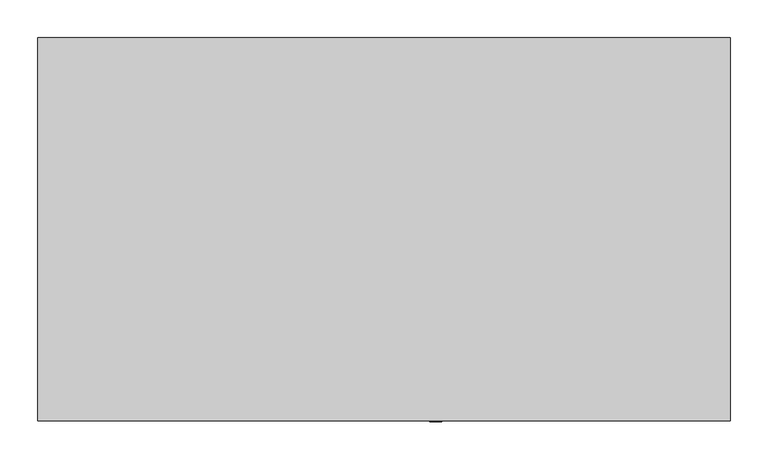
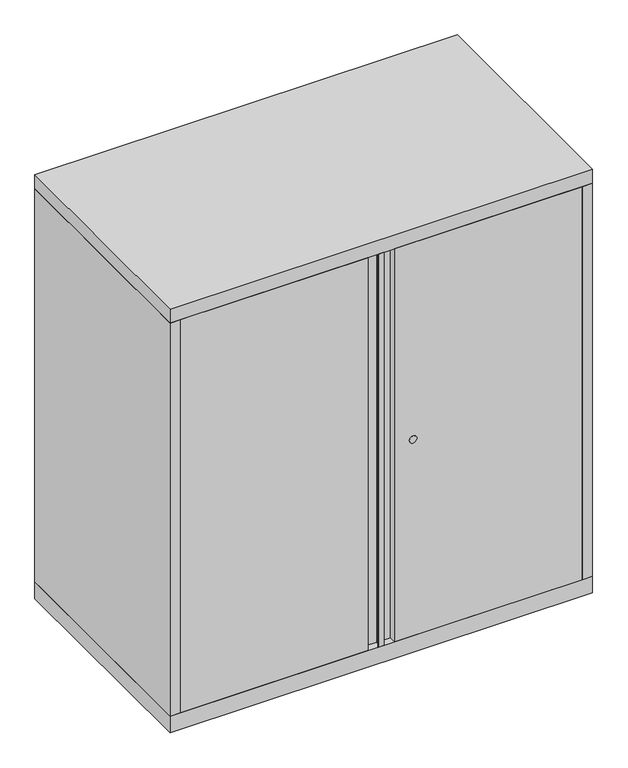
"""IFC4 building model written with IfcOpenShell, lengths in millimetres: furniture geometry."""

from ifc_helpers import new_model, si_unit, point, frame, frame_2d, origin, origin_with_axes, place, context, project, spatial, polyline, circle_curve, trimmed, segment, composite_curve, outline, extrude, source, transform, mapped, element, save


def furniture_f6189afa(model_context):
    return source(origin(), model_context, "Body", "SweptSolid", [
        extrude(outline(polyline([(455.6125, -252.4125), (433.3875, -252.4125), (433.3875, -235.7501), (-433.3875, -235.7501), (-433.3875, -252.4125), (-455.6125, -252.4125), (-455.6125, 252.4125), (455.6125, 252.4125), (455.6125, -252.4125)])), frame((0.0, 0.0, 38.1), z_axis=(0.0, 0.0, 1.0), x_axis=(1.0, 0.0, 0.0)), (0.0, 0.0, 1.0), 895.35),
        extrude(outline(polyline([(-28.1686, -237.2741), (-28.1686, -252.4125), (-433.3875, -252.4125), (-433.3875, -235.7501), (433.3875, -235.7501), (433.3875, -252.4125), (28.1686, -252.4125), (28.1686, -237.2741), (1.524, -237.2741), (1.524, -250.8885), (6.35, -250.8885), (6.35, -252.4125), (-6.35, -252.4125), (-6.35, -250.8885), (-1.524, -250.8885), (-1.524, -237.2741), (-28.1686, -237.2741)])), frame((0.0, 0.0, 38.1), z_axis=(0.0, 0.0, 1.0), x_axis=(1.0, 0.0, 0.0)), (0.0, 0.0, 1.0), 895.35),
        extrude(outline(polyline([(455.6125, 252.4125), (455.6125, -252.4125), (-455.6125, -252.4125), (-455.6125, 252.4125), (455.6125, 252.4125)])), frame((0.0, 0.0, 933.45), z_axis=(0.0, 0.0, 1.0), x_axis=(1.0, 0.0, 0.0)), (0.0, 0.0, 1.0), 31.75),
        extrude(outline(polyline([(455.6125, 252.4125), (455.6125, -252.4125), (-455.6125, -252.4125), (-455.6125, 252.4125), (455.6125, 252.4125)])), origin_with_axes(), (0.0, 0.0, 1.0), 38.1),
        extrude(outline(composite_curve([segment(trimmed(circle_curve(frame_2d((485.775, 68.2625)), 8.001), [point((485.775, 76.2635))], [point((485.775, 60.2615))], False, "CARTESIAN"), True, "CONTINUOUS"), segment(trimmed(circle_curve(frame_2d((485.775, 68.2625)), 8.001), [point((485.775, 60.2615))], [point((485.775, 76.2635))], False, "CARTESIAN"), True, "CONTINUOUS")], self_intersect=False)), frame((0.0, -253.20752, 0.0), z_axis=(0.0, 1.0, 0.0), x_axis=(0.0, 0.0, 1.0)), (0.0, 0.0, 1.0), 0.79502),
    ])


if __name__ == "__main__":
    model = new_model("IFC4")
    model_context = context("Model", 3, world=origin())
    ifc_project = project(units=[si_unit("LENGTHUNIT", "METRE", prefix="MILLI")], contexts=[model_context])
    site = spatial("IfcSite", under=ifc_project)
    building = spatial("IfcBuilding", under=site)
    placement = place(None, origin())
    furniture_shape = furniture_f6189afa(model_context)
    element("IfcFurniture", 1, at=placement, inside=building, context=model_context, shape_type="MappedRepresentation", body=[
        mapped(furniture_shape, transform((0.0, 0.0, 0.0), x_axis=(1.0, 0.0, 0.0), y_axis=(0.0, 1.0, 0.0), z_axis=(0.0, 0.0, 1.0))),
    ])
    save(model, "model.ifc")
